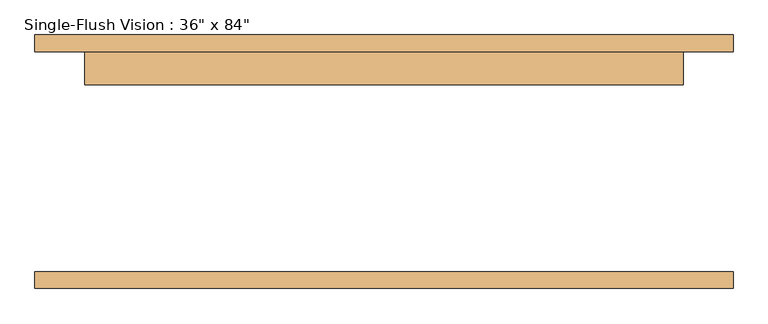
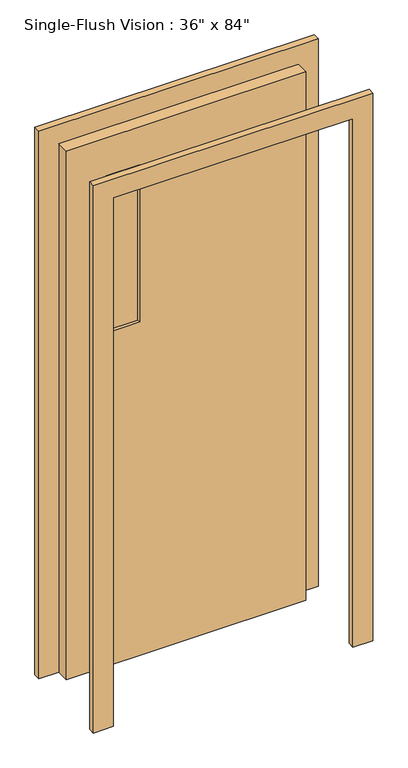
"""IFC4 building model written with IfcOpenShell, lengths in millimetres: door geometry."""

from ifc_helpers import new_model, si_unit, frame, origin, place, context, project, spatial, polyline, outline, extrude, source, transform, mapped, element, save


def door_df383581(model_context):
    return source(origin(), model_context, "Body", "SweptSolid", [
        extrude(outline(polyline([(2209.8, -533.4), (0.0, -533.4), (0.0, -457.2), (2133.6, -457.2), (2133.6, 457.2), (0.0, 457.2), (0.0, 533.4), (2209.8, 533.4), (2209.8, -533.4)])), frame((0.0, 168.275, 0.0), z_axis=(0.0, 1.0, 0.0), x_axis=(0.0, 0.0, 1.0)), (0.0, 0.0, 1.0), 25.4),
        extrude(outline(polyline([(2133.6, 457.2), (0.0, 457.2), (0.0, 533.4), (2209.8, 533.4), (2209.8, -533.4), (0.0, -533.4), (0.0, -457.2), (2133.6, -457.2), (2133.6, 457.2)])), frame((0.0, -193.675, 0.0), z_axis=(0.0, 1.0, 0.0), x_axis=(0.0, 0.0, 1.0)), (0.0, 0.0, 1.0), 25.4),
        extrude(outline(polyline([(-177.8, 130.175), (-304.8, 130.175), (-304.8, 136.525), (-177.8, 136.525), (-177.8, 130.175)])), frame((0.0, 0.0, 1346.2), z_axis=(0.0, 0.0, 1.0), x_axis=(1.0, 0.0, 0.0)), (0.0, 0.0, 1.0), 635.0),
        extrude(outline(polyline([(-177.8, 149.225), (-304.8, 149.225), (-304.8, 155.575), (-177.8, 155.575), (-177.8, 149.225)])), frame((0.0, 0.0, 1346.2), z_axis=(0.0, 0.0, 1.0), x_axis=(1.0, 0.0, 0.0)), (0.0, 0.0, 1.0), 635.0),
        extrude(outline(polyline([(2133.6, -457.2), (0.0, -457.2), (0.0, 457.2), (2133.6, 457.2), (2133.6, -457.2)]), holes=[polyline([(1981.2, -304.8), (1981.2, -177.8), (1346.2, -177.8), (1346.2, -304.8), (1981.2, -304.8)])]), frame((0.0, 117.475, 0.0), z_axis=(0.0, 1.0, 0.0), x_axis=(0.0, 0.0, 1.0)), (0.0, 0.0, 1.0), 50.8),
    ])


if __name__ == "__main__":
    model = new_model("IFC4")
    model_context = context("Model", 3, world=origin())
    ifc_project = project(units=[si_unit("LENGTHUNIT", "METRE", prefix="MILLI")], contexts=[model_context])
    site = spatial("IfcSite", under=ifc_project)
    building = spatial("IfcBuilding", under=site)
    placement = place(None, origin())
    door_shape = door_df383581(model_context)
    element("IfcDoor", 1, ObjectType="Single-Flush Vision : 36\" x 84\"", at=placement, inside=building, context=model_context, shape_type="MappedRepresentation", body=[
        mapped(door_shape, transform((0.0, 0.0, 0.0), x_axis=(1.0, 0.0, 0.0), y_axis=(0.0, 1.0, 0.0), z_axis=(0.0, 0.0, 1.0))),
    ])
    save(model, "model.ifc")
